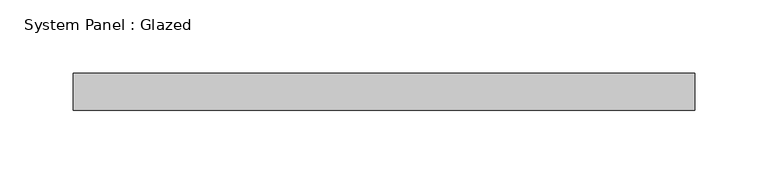
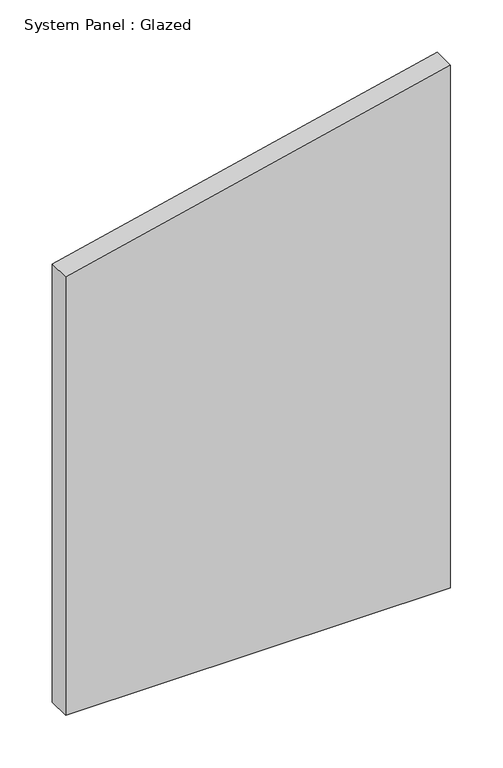
"""IFC4 building model written with IfcOpenShell, lengths in millimetres: plate geometry, System Panel : Glazed."""

from ifc_helpers import new_model, si_unit, frame, origin, place, context, project, spatial, polyline, outline, extrude, source, transform, mapped, element, save


def system_panel_glazed_966c868a(model_context):
    return source(origin(), model_context, "Body", "SweptSolid", [
        extrude(outline(polyline([(0.0, -212.5901184), (0.0, 212.5901184), (610.8252542, 212.5901184), (512.0256069, -212.5901184), (0.0, -212.5901184)])), frame((0.0, 19.05, 0.0), z_axis=(0.0, 1.0, 0.0), x_axis=(0.0, 0.0, 1.0)), (0.0, 0.0, 1.0), 25.4),
    ])


if __name__ == "__main__":
    model = new_model("IFC4")
    model_context = context("Model", 3, world=origin())
    ifc_project = project(units=[si_unit("LENGTHUNIT", "METRE", prefix="MILLI")], contexts=[model_context])
    site = spatial("IfcSite", under=ifc_project)
    building = spatial("IfcBuilding", under=site)
    placement = place(None, origin())
    system_panel_glazed_shape = system_panel_glazed_966c868a(model_context)
    element("IfcPlate", 1, ObjectType="System Panel : Glazed", at=placement, inside=building, context=model_context, shape_type="MappedRepresentation", body=[
        mapped(system_panel_glazed_shape, transform((0.0, 0.0, 0.0), x_axis=(1.0, 0.0, 0.0), y_axis=(0.0, 1.0, 0.0), z_axis=(0.0, 0.0, 1.0))),
    ])
    save(model, "model.ifc")
